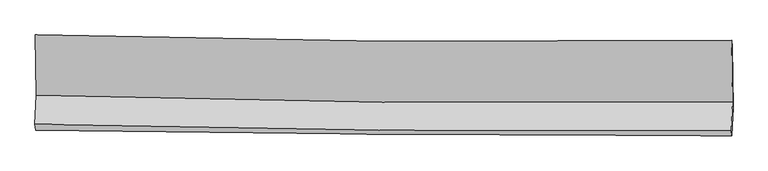
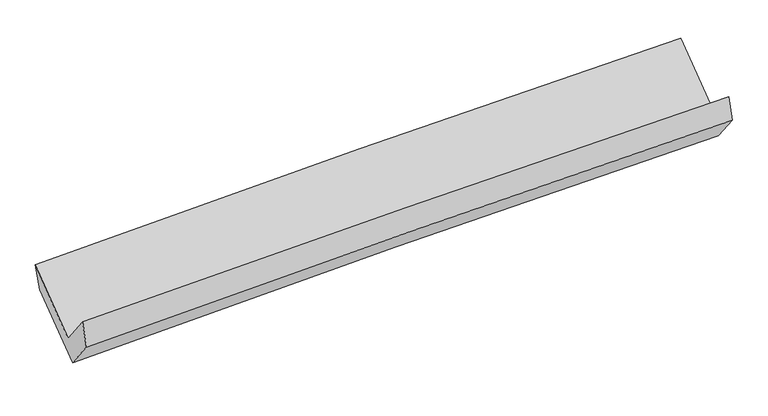
"""IFC4 building model written with IfcOpenShell, lengths in millimetres: proxy geometry."""

from ifc_helpers import new_model, si_unit, frame, origin, place, context, project, spatial, source, transform, mapped, element, save
from ifc_brep_helpers import plane_surface, spline_curve, spline_surface, advanced_brep


def generic_models_2594710c(model_context):
    return source(origin(), model_context, "Body", "AdvancedBrep", [
        advanced_brep(
        [(-3021.1460077, -1158.5476831, 2149.0477658), (-3013.938871, -1680.2386934, 1732.6632799), (3006.6369851, -1737.8510293, 1887.2869655), (2998.9440487, -1205.0738716, 2312.5091401), (-3024.2396018, -1931.0779127, 2056.0270396), (2996.3326517, -1988.6577576, 2210.6087541), (-3018.7864913, -1984.2644478, 1834.1221936), (3001.7068254, -2030.079865, 1998.0077074), (-3009.0561506, -1742.6577594, 1529.9344334), (3011.4400918, -1788.4628691, 1693.8070142), (-3015.9616078, -1220.4778086, 1934.9783756), (3004.1572456, -1262.3109664, 2101.9215637)],
        [
            (0, 1),
            (1, 2, spline_curve(3, [(-3013.938871, -1680.2386934, 1732.6632799), (-2011.44454198, -1711.606784495, 1787.49795951), (-1008.476208094, -1732.091778985, 1827.800585165), (998.382435247, -1751.2953265, 1879.341059435), (2002.272720078, -1750.014443609, 1890.579662506), (3006.6369851, -1737.8510293, 1887.2869655)], [4, 2, 4], [0.0, 9.881707086271867, 19.763157798192616])),
            (2, 3),
            (3, 0, spline_curve(3, [(2998.9440487, -1205.0738716, 2312.5091401), (1994.652880721, -1218.446231338, 2314.838730972), (990.839627004, -1221.255416184, 2302.38211349), (-1015.857082951, -1205.747234639, 2247.895756094), (-2018.740514898, -1187.429320283, 2205.865248475), (-3021.1460077, -1158.5476831, 2149.0477658)], [4, 2, 4], [0.0, 9.881450711920749, 19.763157798192616])),
            (1, 4),
            (4, 5, spline_curve(3, [(-3024.2396018, -1931.0779127, 2056.0270396), (-2021.493823357, -1956.304241112, 2102.944190288), (-1018.400066578, -1973.715686371, 2139.284605151), (988.457369346, -1992.908562653, 2190.811294628), (1992.221030392, -1994.690398766, 2205.99811776), (2996.3326517, -1988.6577576, 2210.6087541)], [4, 2, 4], [0.0, 9.881509120039116, 19.762761870863216])),
            (5, 2),
            (4, 6),
            (6, 7, spline_curve(3, [(-3018.7864913, -1984.2644478, 1834.1221936), (-2015.85505447, -1997.508102086, 1877.764162851), (-1012.675048229, -2007.947893565, 1913.242344844), (994.156070538, -2023.219553926, 1967.870425902), (1997.807169535, -2028.051567863, 1987.020748439), (3001.7068254, -2030.079865, 1998.0077074)], [4, 2, 4], [0.0, 9.88080498017587, 19.76135360940517])),
            (7, 5),
            (6, 8),
            (8, 9, spline_curve(3, [(-3009.0561506, -1742.6577594, 1529.9344334), (-2006.291005814, -1760.040345615, 1578.787409605), (-1003.193900544, -1772.548717749, 1616.869983641), (1003.638197641, -1787.816834588, 1671.493618563), (2007.373173082, -1790.576832618, 1688.035238045), (3011.4400918, -1788.4628691, 1693.8070142)], [4, 2, 4], [0.0, 9.88072208043366, 19.761187812071526])),
            (9, 7),
            (8, 10),
            (10, 11, spline_curve(3, [(-3015.9616078, -1220.4778086, 1934.9783756), (-2013.234075179, -1239.036622514, 1982.917283354), (-1010.18722589, -1251.802095796, 2020.798719679), (996.519075219, -1265.746181317, 2076.445927047), (2000.178510149, -1266.925093822, 2094.212220204), (3004.1572456, -1262.3109664, 2101.9215637)], [4, 2, 4], [0.0, 9.880618378026664, 19.760980409948026])),
            (11, 9),
            (10, 0),
            (3, 11),
        ],
        [
            spline_surface(3, 3, [[(-3021.1460077, -1158.5476831, 2149.0477658), (-2018.740514927, -1187.42932041, 2205.86524862), (-1015.85708311, -1205.747234739, 2247.895756047), (990.839627163, -1221.255416084, 2302.382113538), (1994.652880799, -1218.446231305, 2314.838730895), (2998.9440487, -1205.0738716, 2312.5091401)], [(-3018.743628797, -1332.444686528, 2010.252937188), (-2016.308523897, -1362.155141759, 2066.409485587), (-1013.396791423, -1381.195416203, 2107.864032369), (993.353896525, -1397.935386185, 2161.36842886), (1997.192827246, -1395.635635453, 2173.419041453), (3001.50836083, -1382.666257513, 2170.768415261)], [(-3016.341249903, -1506.341689972, 1871.458108512), (-2013.876532874, -1536.880963123, 1926.95372249), (-1010.936499759, -1556.64359765, 1967.832308732), (995.868165863, -1574.61535627, 2020.354744223), (1999.732773702, -1572.825039563, 2031.99935193), (3004.07267297, -1560.258643387, 2029.027690339)], [(-3013.938871, -1680.2386934, 1732.6632799), (-2011.444541844, -1711.606784472, 1787.497959458), (-1008.476208072, -1732.091779114, 1827.800585054), (998.382435225, -1751.295326371, 1879.341059545), (2002.272720149, -1750.014443711, 1890.579662488), (3006.6369851, -1737.8510293, 1887.2869655)]], [4, 4], [4, 2, 4], [0.0, 2.2173291287419956], [0.0, 9.881707086271867, 19.763157798192616]),
            spline_surface(3, 3, [[(-3013.938871, -1680.2386934, 1732.6632799), (-2011.444541844, -1711.606784472, 1787.497959458), (-1008.476208072, -1732.091779114, 1827.800585054), (998.382435225, -1751.295326371, 1879.341059545), (2002.272720149, -1750.014443711, 1890.579662488), (3006.6369851, -1737.8510293, 1887.2869655)], [(-3017.372447914, -1763.851766478, 1840.451199795), (-2014.79430229, -1793.172603309, 1892.646703085), (-1011.784160904, -1812.633081559, 1931.628591772), (995.074079918, -1831.833071779, 1983.164471221), (1998.922156933, -1831.573095406, 1995.719147619), (3003.202207299, -1821.453272065, 1995.060895034)], [(-3020.806024886, -1847.464839622, 1948.239119705), (-2018.144062794, -1874.73842221, 1997.795446728), (-1015.09211372, -1893.174383994, 2035.456598489), (991.765724626, -1912.370817177, 2086.987882896), (1995.571593718, -1913.131747107, 2100.858632747), (2999.767429501, -1905.055514835, 2102.834824566)], [(-3024.2396018, -1931.0779127, 2056.0270396), (-2021.493823239, -1956.304241046, 2102.944190355), (-1018.400066551, -1973.715686438, 2139.284605207), (988.457369319, -1992.908562585, 2190.811294571), (1992.221030502, -1994.690398802, 2205.998117879), (2996.3326517, -1988.6577576, 2210.6087541)]], [4, 4], [4, 2, 4], [0.0, 1.293733102715074], [0.0, 9.881509120039116, 19.762761870863216]),
            spline_surface(3, 3, [[(-3024.2396018, -1931.0779127, 2056.0270396), (-2021.493823239, -1956.304241046, 2102.944190355), (-1018.400066551, -1973.715686438, 2139.284605207), (988.457369319, -1992.908562585, 2190.811294571), (1992.221030502, -1994.690398802, 2205.998117879), (2996.3326517, -1988.6577576, 2210.6087541)], [(-3022.421898294, -1948.806757754, 1982.058757595), (-2019.614233649, -1970.038861369, 2027.884181185), (-1016.491727066, -1985.126422163, 2063.937185109), (990.356936332, -2003.012226337, 2116.497671678), (1994.083076865, -2005.810788508, 2133.005661384), (2998.124042946, -2002.465126722, 2139.741738506)], [(-3020.604194806, -1966.535602746, 1908.090475605), (-2017.734644079, -1983.773481629, 1952.824172031), (-1014.583387556, -1996.537157907, 1988.589764982), (992.256503368, -2013.115890107, 2042.184048755), (1995.945123191, -2016.931178246, 2060.013204972), (2999.915434154, -2016.272495878, 2068.874722994)], [(-3018.7864913, -1984.2644478, 1834.1221936), (-2015.855054489, -1997.508101952, 1877.764162862), (-1012.675048071, -2007.947893632, 1913.242344884), (994.156070381, -2023.219553859, 1967.870425862), (1997.807169555, -2028.051567951, 1987.020748478), (3001.7068254, -2030.079865, 1998.0077074)]], [4, 4], [4, 2, 4], [0.0, 0.7443282571188341], [0.0, 9.88080498017587, 19.76135360940517]),
            spline_surface(3, 3, [[(-3018.7864913, -1984.2644478, 1834.1221936), (-2015.855054489, -1997.508101952, 1877.764162862), (-1012.675048071, -2007.947893632, 1913.242344884), (994.156070381, -2023.219553859, 1967.870425862), (1997.807169555, -2028.051567951, 1987.020748478), (3001.7068254, -2030.079865, 1998.0077074)], [(-3015.543044411, -1903.72888501, 1732.726273534), (-2012.667038253, -1918.352183222, 1778.105245155), (-1009.514665531, -1929.481501659, 1814.451557832), (997.31677944, -1944.751980806, 1869.078156731), (2000.995837387, -1948.893322871, 1887.358911696), (3004.951247521, -1949.540866396, 1896.607476346)], [(-3012.299597489, -1823.19332219, 1631.330353466), (-2009.479021985, -1839.196264464, 1678.446327447), (-1006.354282997, -1851.015109648, 1715.660770784), (1000.477488494, -1866.284407714, 1770.285887603), (2004.184505257, -1869.735077703, 1787.697074874), (3008.195669679, -1869.001867704, 1795.207245254)], [(-3009.0561506, -1742.6577594, 1529.9344334), (-2006.29100575, -1760.040345735, 1578.78740974), (-1003.193900457, -1772.548717675, 1616.869983732), (1003.638197554, -1787.816834661, 1671.493618471), (2007.373173089, -1790.576832622, 1688.035238092), (3011.4400918, -1788.4628691, 1693.8070142)]], [4, 4], [4, 2, 4], [0.0, 1.2421408965558332], [0.0, 9.88072208043366, 19.761187812071526]),
            spline_surface(3, 3, [[(-3009.0561506, -1742.6577594, 1529.9344334), (-2006.29100575, -1760.040345735, 1578.78740974), (-1003.193900457, -1772.548717675, 1616.869983732), (1003.638197554, -1787.816834661, 1671.493618471), (2007.373173089, -1790.576832622, 1688.035238092), (3011.4400918, -1788.4628691, 1693.8070142)], [(-3011.357969656, -1568.59777579, 1664.949080804), (-2008.60536225, -1586.372437961, 1713.497367619), (-1005.525008897, -1598.966510416, 1751.512895685), (1001.265156784, -1613.793283511, 1806.477721341), (2004.97495215, -1616.026252963, 1823.427565475), (3009.012476413, -1613.078901508, 1829.845197363)], [(-3013.659788744, -1394.53779221, 1799.963728196), (-2010.919718783, -1412.704530218, 1848.207325486), (-1007.856117406, -1425.384303159, 1886.155807665), (998.892115946, -1439.769732363, 1941.461824238), (2002.576731171, -1441.475673381, 1958.819892868), (3006.584860987, -1437.694933992, 1965.883380537)], [(-3015.9616078, -1220.4778086, 1934.9783756), (-2013.234075283, -1239.036622445, 1982.917283365), (-1010.187225847, -1251.8020959, 2020.798719618), (996.519075176, -1265.746181213, 2076.445927108), (2000.178510232, -1266.925093722, 2094.212220251), (3004.1572456, -1262.3109664, 2101.9215637)]], [4, 4], [4, 2, 4], [0.0, 2.1650780888005996], [0.0, 9.880618378026664, 19.760980409948026]),
            spline_surface(3, 3, [[(-3015.9616078, -1220.4778086, 1934.9783756), (-2013.234075283, -1239.036622445, 1982.917283365), (-1010.187225847, -1251.8020959, 2020.798719618), (996.519075176, -1265.746181213, 2076.445927108), (2000.178510232, -1266.925093722, 2094.212220251), (3004.1572456, -1262.3109664, 2101.9215637)], [(-3017.689741129, -1199.83443344, 2006.334838984), (-2015.069555193, -1221.834188439, 2057.233271767), (-1012.077178287, -1236.450475499, 2096.497731774), (994.625925819, -1250.915926156, 2151.757989265), (1998.336633745, -1250.765472913, 2167.754390455), (3002.419513291, -1243.231934797, 2172.11742249)], [(-3019.417874371, -1179.19105826, 2077.691302416), (-2016.905035017, -1204.631754415, 2131.549260217), (-1013.96713067, -1221.09885514, 2172.19674389), (992.73277652, -1236.08567114, 2227.070051381), (1996.494757285, -1234.605852113, 2241.29656069), (3000.681781009, -1224.152903203, 2242.31328131)], [(-3021.1460077, -1158.5476831, 2149.0477658), (-2018.740514927, -1187.42932041, 2205.86524862), (-1015.85708311, -1205.747234739, 2247.895756047), (990.839627163, -1221.255416084, 2302.382113538), (1994.652880799, -1218.446231305, 2314.838730895), (2998.9440487, -1205.0738716, 2312.5091401)]], [4, 4], [4, 2, 4], [0.0, 0.7580913808837461], [0.0, 9.880878433030139, 19.76150051320802]),
            plane_surface(frame((3003.2029747, -1668.7393931, 2034.0235242), z_axis=(0.9996233266349841, -0.006789443235528457, 0.02659150818888671), x_axis=(-0.010936556323619272, 0.7901155388549249, 0.6128603650063953))),
            plane_surface(frame((-3017.1881217, -1619.5440508, 1872.7955147), z_axis=(-0.9996288459980898, 0.007167752051791672, -0.02628295225144285), x_axis=(0.023258038362202388, -0.27782833846109867, -0.9603491438010906))),
        ],
        [
            (0, [[1, 2, 3, 4]]),
            (1, [[5, 6, 7, -2]]),
            (2, [[8, 9, 10, -6]]),
            (3, [[11, 12, 13, -9]]),
            (4, [[14, 15, 16, -12]]),
            (5, [[17, -4, 18, -15]]),
            (6, [[-16, -18, -3, -7, -10, -13]]),
            (7, [[-17, -14, -11, -8, -5, -1]]),
        ],
    ),
    ])


if __name__ == "__main__":
    model = new_model("IFC4")
    model_context = context("Model", 3, world=origin())
    ifc_project = project(units=[si_unit("LENGTHUNIT", "METRE", prefix="MILLI")], contexts=[model_context])
    site = spatial("IfcSite", under=ifc_project)
    building = spatial("IfcBuilding", under=site)
    placement = place(None, origin())
    generic_models_shape = generic_models_2594710c(model_context)
    element("IfcBuildingElementProxy", 1, Name="Generic Models", at=placement, inside=building, context=model_context, shape_type="MappedRepresentation", body=[
        mapped(generic_models_shape, transform((0.0, 0.0, 0.0), x_axis=(1.0, 0.0, 0.0), y_axis=(0.0, 1.0, 0.0), z_axis=(0.0, 0.0, 1.0))),
    ])
    save(model, "model.ifc")
